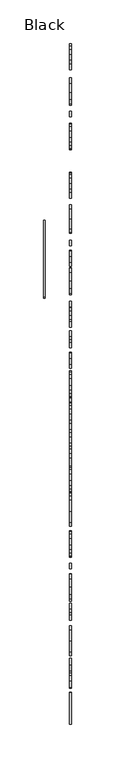
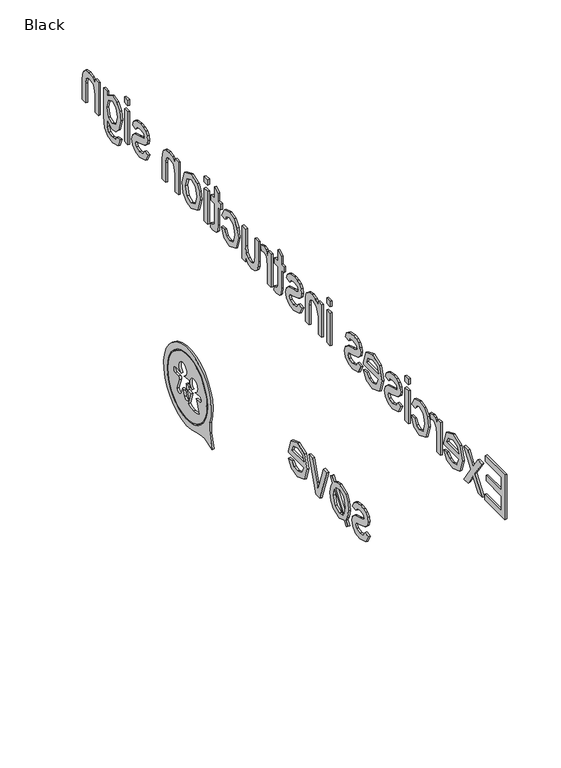
"""IFC4 building model written with IfcOpenShell, lengths in millimetres: furniture geometry, Black."""

from ifc_helpers import new_model, si_unit, point, frame, frame_2d, origin, place, context, project, spatial, polyline, circle_curve, trimmed, segment, composite_curve, outline, extrude, source, transform, mapped, element, save


def black_c9f435eb(model_context):
    return source(origin(), model_context, "Body", "SweptSolid", [
        extrude(outline(polyline([(-656.0908257, 1585.2694178), (-656.0908257, 1635.4975728), (-619.9893392, 1635.4975728), (-619.9893392, 1629.2190534), (-649.8123063, 1629.2190534), (-649.8123063, 1614.3075699), (-621.5589691, 1614.3075699), (-621.5589691, 1608.0290505), (-649.8123063, 1608.0290505), (-649.8123063, 1591.5479371), (-619.2045243, 1591.5479371), (-619.2045243, 1585.2694178), (-656.0908257, 1585.2694178)])), frame((13.999993, 0.0, 0.0), z_axis=(1.0, 0.0, 0.0), x_axis=(0.0, 1.0, 0.0)), (0.0, 0.0, 1.0), 2.0),
        extrude(outline(polyline([(-614.4956348, 1585.2694178), (-601.0802047, 1603.8106703), (-613.7108198, 1622.1557191), (-606.1569762, 1622.1557191), (-600.0623978, 1613.3265513), (-597.2174437, 1609.157222), (-594.7526344, 1612.5662618), (-587.8119274, 1622.1557191), (-580.2580838, 1622.1557191), (-593.526361, 1603.8106703), (-580.7485931, 1585.2694178), (-588.3024367, 1585.2694178), (-595.9911704, 1596.4162422), (-597.4013847, 1598.4518559), (-606.9417911, 1585.2694178), (-614.4956348, 1585.2694178)])), frame((13.999993, 0.0, 0.0), z_axis=(1.0, 0.0, 0.0), x_axis=(0.0, 1.0, 0.0)), (0.0, 0.0, 1.0), 2.0),
        extrude(outline(polyline([(-549.4295726, 1596.2568267), (-543.2736805, 1595.4720118), (-549.0310337, 1587.3663451), (-559.7547939, 1584.4846028), (-572.7900792, 1589.4571411), (-577.6093334, 1603.4060001), (-572.7410283, 1617.8147116), (-560.1104131, 1622.9405341), (-547.8415486, 1617.8269743), (-543.0774768, 1603.4427883), (-543.114265, 1601.7505311), (-571.330814, 1601.7505311), (-567.7194391, 1593.5958136), (-559.6321666, 1590.7631222), (-553.4762745, 1592.0752347), (-549.4295726, 1596.2568267)]), holes=[polyline([(-571.330814, 1608.0290505), (-549.3559962, 1608.0290505), (-551.8698565, 1613.7189587), (-560.1349386, 1616.6620147), (-567.8665919, 1614.3137013), (-571.330814, 1608.0290505)])]), frame((13.999993, 0.0, 0.0), z_axis=(1.0, 0.0, 0.0), x_axis=(0.0, 1.0, 0.0)), (0.0, 0.0, 1.0), 2.0),
        extrude(outline(polyline([(-536.7989574, 1585.2694178), (-536.7989574, 1622.1557191), (-531.3052529, 1622.1557191), (-531.3052529, 1616.6988029), (-527.4057038, 1621.7265235), (-523.4816292, 1622.9405341), (-517.1785843, 1621.0030222), (-519.2755117, 1615.3744277), (-523.6900956, 1616.6620147), (-527.2401569, 1615.4234786), (-529.5026311, 1611.9899133), (-530.520438, 1604.6567989), (-530.520438, 1585.2694178), (-536.7989574, 1585.2694178)])), frame((13.999993, 0.0, 0.0), z_axis=(1.0, 0.0, 0.0), x_axis=(0.0, 1.0, 0.0)), (0.0, 0.0, 1.0), 2.0),
        extrude(outline(polyline([(-489.710062, 1598.6112715), (-483.4315426, 1597.8264565), (-488.471526, 1588.0224014), (-498.4288653, 1584.4846028), (-510.3298478, 1589.4203529), (-514.8241395, 1603.5776784), (-512.9050218, 1614.0071329), (-507.0556981, 1620.7087166), (-498.5147044, 1622.9405341), (-488.9681666, 1619.8748508), (-484.2163575, 1611.1683102), (-490.4948769, 1610.3834953), (-493.4072761, 1615.0862535), (-498.4656535, 1616.6620147), (-505.7435856, 1613.5595432), (-508.5456202, 1603.7493567), (-505.8048993, 1593.8471996), (-498.6373318, 1590.7631222), (-492.720563, 1592.6883713), (-489.710062, 1598.6112715)])), frame((13.999993, 0.0, 0.0), z_axis=(1.0, 0.0, 0.0), x_axis=(0.0, 1.0, 0.0)), (0.0, 0.0, 1.0), 2.0),
        extrude(outline(polyline([(15.999993, -471.6593188), (15.999993, -477.9378382), (13.999993, -477.9378382), (13.999993, -471.6593188), (15.999993, -471.6593188)])), frame((0.0, 0.0, 1629.2190534), z_axis=(0.0, 0.0, 1.0), x_axis=(1.0, 0.0, 0.0)), (0.0, 0.0, 1.0), 6.2785194),
        extrude(outline(polyline([(15.999993, -471.6593188), (15.999993, -477.9378382), (13.999993, -477.9378382), (13.999993, -471.6593188), (15.999993, -471.6593188)])), frame((0.0, 0.0, 1585.2694178), z_axis=(0.0, 0.0, 1.0), x_axis=(1.0, 0.0, 0.0)), (0.0, 0.0, 1.0), 36.8863014),
        extrude(outline(polyline([(-464.5959845, 1596.2568267), (-458.3174651, 1597.0416416), (-455.4111973, 1592.381803), (-448.7525332, 1590.7631222), (-442.3513865, 1592.2469129), (-440.2667219, 1595.7295292), (-442.3636492, 1598.5499578), (-448.8261096, 1600.3403168), (-458.2806769, 1603.4121315), (-462.4070866, 1606.9989809), (-463.8111695, 1612.0634897), (-462.6829981, 1616.7417224), (-459.6050521, 1620.3163092), (-455.6135324, 1622.1741132), (-450.2117985, 1622.9405341), (-442.5721157, 1621.7081294), (-437.7160734, 1618.372666), (-435.5578323, 1612.7379401), (-441.8363517, 1611.9531251), (-444.1969278, 1615.4173473), (-449.7212891, 1616.6620147), (-455.7300284, 1615.4725296), (-457.5326502, 1612.7011519), (-456.7846234, 1610.8740046), (-454.4424414, 1609.4883158), (-449.0345761, 1608.1516779), (-439.8191321, 1605.1963592), (-435.5394382, 1601.848633), (-433.9882025, 1596.3917167), (-435.8092183, 1590.3829775), (-441.0637995, 1586.0235758), (-448.8383723, 1584.4846028), (-459.7889931, 1587.4521843), (-464.5959845, 1596.2568267)])), frame((13.999993, 0.0, 0.0), z_axis=(1.0, 0.0, 0.0), x_axis=(0.0, 1.0, 0.0)), (0.0, 0.0, 1.0), 2.0),
        extrude(outline(polyline([(-401.0995521, 1596.2568267), (-394.94366, 1595.4720118), (-400.7010133, 1587.3663451), (-411.4247734, 1584.4846028), (-424.4600588, 1589.4571411), (-429.2793129, 1603.4060001), (-424.4110079, 1617.8147116), (-411.7803927, 1622.9405341), (-399.5115282, 1617.8269743), (-394.7474563, 1603.4427883), (-394.7842445, 1601.7505311), (-423.0007935, 1601.7505311), (-419.3894186, 1593.5958136), (-411.3021461, 1590.7631222), (-405.146254, 1592.0752347), (-401.0995521, 1596.2568267)]), holes=[polyline([(-423.0007935, 1608.0290505), (-401.0259757, 1608.0290505), (-403.539836, 1613.7189587), (-411.8049182, 1616.6620147), (-419.5365714, 1614.3137013), (-423.0007935, 1608.0290505)])]), frame((13.999993, 0.0, 0.0), z_axis=(1.0, 0.0, 0.0), x_axis=(0.0, 1.0, 0.0)), (0.0, 0.0, 1.0), 2.0),
        extrude(outline(polyline([(-390.8233817, 1596.2568267), (-384.5448623, 1597.0416416), (-381.6385946, 1592.381803), (-374.9799304, 1590.7631222), (-368.5787837, 1592.2469129), (-366.4941191, 1595.7295292), (-368.5910465, 1598.5499578), (-375.0535068, 1600.3403168), (-384.5080741, 1603.4121315), (-388.6344838, 1606.9989809), (-390.0385668, 1612.0634897), (-388.9103953, 1616.7417224), (-385.8324493, 1620.3163092), (-381.8409297, 1622.1741132), (-376.4391957, 1622.9405341), (-368.7995129, 1621.7081294), (-363.9434706, 1618.372666), (-361.7852295, 1612.7379401), (-368.0637489, 1611.9531251), (-370.4243251, 1615.4173473), (-375.9486864, 1616.6620147), (-381.9574256, 1615.4725296), (-383.7600474, 1612.7011519), (-383.0120207, 1610.8740046), (-380.6698386, 1609.4883158), (-375.2619733, 1608.1516779), (-366.0465293, 1605.1963592), (-361.7668354, 1601.848633), (-360.2155997, 1596.3917167), (-362.0366156, 1590.3829775), (-367.2911967, 1586.0235758), (-375.0657696, 1584.4846028), (-386.0163903, 1587.4521843), (-390.8233817, 1596.2568267)])), frame((13.999993, 0.0, 0.0), z_axis=(1.0, 0.0, 0.0), x_axis=(0.0, 1.0, 0.0)), (0.0, 0.0, 1.0), 2.0),
        extrude(outline(polyline([(15.999993, -327.2533729), (15.999993, -333.5318923), (13.999993, -333.5318923), (13.999993, -327.2533729), (15.999993, -327.2533729)])), frame((0.0, 0.0, 1629.2190534), z_axis=(0.0, 0.0, 1.0), x_axis=(1.0, 0.0, 0.0)), (0.0, 0.0, 1.0), 6.2785194),
        extrude(outline(polyline([(15.999993, -327.2533729), (15.999993, -333.5318923), (13.999993, -333.5318923), (13.999993, -327.2533729), (15.999993, -327.2533729)])), frame((0.0, 0.0, 1585.2694178), z_axis=(0.0, 0.0, 1.0), x_axis=(1.0, 0.0, 0.0)), (0.0, 0.0, 1.0), 36.8863014),
        extrude(outline(polyline([(-317.8355939, 1585.2694178), (-317.8355939, 1622.1557191), (-311.5570745, 1622.1557191), (-311.5570745, 1617.0053712), (-306.7562144, 1621.4567434), (-300.2017836, 1622.9405341), (-294.2727521, 1621.7449176), (-290.2260501, 1618.6056579), (-288.3437206, 1613.9887388), (-288.0126268, 1607.9186859), (-288.0126268, 1585.2694178), (-294.2911462, 1585.2694178), (-294.2911462, 1607.0725573), (-295.0146474, 1612.6275755), (-297.5714273, 1615.5645001), (-301.881778, 1616.6620147), (-308.6937263, 1614.1972053), (-311.5570745, 1604.8407399), (-311.5570745, 1585.2694178), (-317.8355939, 1585.2694178)])), frame((13.999993, 0.0, 0.0), z_axis=(1.0, 0.0, 0.0), x_axis=(0.0, 1.0, 0.0)), (0.0, 0.0, 1.0), 2.0),
        extrude(outline(polyline([(-281.7341074, 1596.2568267), (-275.455588, 1597.0416416), (-272.5493203, 1592.381803), (-265.8906561, 1590.7631222), (-259.4895094, 1592.2469129), (-257.4048448, 1595.7295292), (-259.5017722, 1598.5499578), (-265.9642325, 1600.3403168), (-275.4187998, 1603.4121315), (-279.5452095, 1606.9989809), (-280.9492925, 1612.0634897), (-279.821121, 1616.7417224), (-276.743175, 1620.3163092), (-272.7516553, 1622.1741132), (-267.3499214, 1622.9405341), (-259.7102386, 1621.7081294), (-254.8541963, 1618.372666), (-252.6959552, 1612.7379401), (-258.9744746, 1611.9531251), (-261.3350508, 1615.4173473), (-266.8594121, 1616.6620147), (-272.8681513, 1615.4725296), (-274.6707731, 1612.7011519), (-273.9227464, 1610.8740046), (-271.5805643, 1609.4883158), (-266.172699, 1608.1516779), (-256.957255, 1605.1963592), (-252.6775611, 1601.848633), (-251.1263254, 1596.3917167), (-252.9473413, 1590.3829775), (-258.2019224, 1586.0235758), (-265.9764953, 1584.4846028), (-276.927116, 1587.4521843), (-281.7341074, 1596.2568267)])), frame((13.999993, 0.0, 0.0), z_axis=(1.0, 0.0, 0.0), x_axis=(0.0, 1.0, 0.0)), (0.0, 0.0, 1.0), 2.0),
        extrude(outline(polyline([(-230.7211374, 1590.5056048), (-229.9363225, 1585.0854768), (-234.6329493, 1584.4846028), (-239.8936618, 1585.5269352), (-242.5178867, 1588.2615247), (-243.2781762, 1595.3861726), (-243.2781762, 1615.8771998), (-247.9870657, 1615.8771998), (-247.9870657, 1622.1557191), (-243.2781762, 1622.1557191), (-243.2781762, 1631.1197771), (-236.9996568, 1634.8108598), (-236.9996568, 1622.1557191), (-230.7211374, 1622.1557191), (-230.7211374, 1615.8771998), (-236.9996568, 1615.8771998), (-236.9996568, 1595.5701136), (-236.668563, 1592.3327521), (-233.4557269, 1590.7631222), (-230.7211374, 1590.5056048)])), frame((13.999993, 0.0, 0.0), z_axis=(1.0, 0.0, 0.0), x_axis=(0.0, 1.0, 0.0)), (0.0, 0.0, 1.0), 2.0),
        extrude(outline(polyline([(-224.442618, 1585.2694178), (-224.442618, 1622.1557191), (-218.9489136, 1622.1557191), (-218.9489136, 1616.6988029), (-215.0493644, 1621.7265235), (-211.1252898, 1622.9405341), (-204.8222449, 1621.0030222), (-206.9191723, 1615.3744277), (-211.3337563, 1616.6620147), (-214.8838175, 1615.4234786), (-217.1462918, 1611.9899133), (-218.1640986, 1604.6567989), (-218.1640986, 1585.2694178), (-224.442618, 1585.2694178)])), frame((13.999993, 0.0, 0.0), z_axis=(1.0, 0.0, 0.0), x_axis=(0.0, 1.0, 0.0)), (0.0, 0.0, 1.0), 2.0),
        extrude(outline(polyline([(-177.3537226, 1585.2694178), (-177.3537226, 1591.6092508), (-182.2710786, 1586.2657648), (-188.6844881, 1584.4846028), (-194.5889941, 1585.7354016), (-198.6602215, 1588.8746613), (-200.5302883, 1593.4977117), (-200.8981703, 1599.3347727), (-200.8981703, 1622.1557191), (-194.6196509, 1622.1557191), (-194.6196509, 1602.2900914), (-194.2395062, 1595.8889447), (-191.7563027, 1592.130417), (-187.07807, 1590.7631222), (-181.8357516, 1592.1610738), (-178.3715295, 1595.9686525), (-177.3537226, 1602.9645417), (-177.3537226, 1622.1557191), (-171.0752032, 1622.1557191), (-171.0752032, 1585.2694178), (-177.3537226, 1585.2694178)])), frame((13.999993, 0.0, 0.0), z_axis=(1.0, 0.0, 0.0), x_axis=(0.0, 1.0, 0.0)), (0.0, 0.0, 1.0), 2.0),
        extrude(outline(polyline([(-138.8977914, 1598.6112715), (-132.619272, 1597.8264565), (-137.6592554, 1588.0224014), (-147.6165947, 1584.4846028), (-159.5175772, 1589.4203529), (-164.0118689, 1603.5776784), (-162.0927512, 1614.0071329), (-156.2434275, 1620.7087166), (-147.7024338, 1622.9405341), (-138.155896, 1619.8748508), (-133.4040869, 1611.1683102), (-139.6826063, 1610.3834953), (-142.5950055, 1615.0862535), (-147.6533829, 1616.6620147), (-154.931315, 1613.5595432), (-157.7333496, 1603.7493567), (-154.9926287, 1593.8471996), (-147.8250612, 1590.7631222), (-141.9082924, 1592.6883713), (-138.8977914, 1598.6112715)])), frame((13.999993, 0.0, 0.0), z_axis=(1.0, 0.0, 0.0), x_axis=(0.0, 1.0, 0.0)), (0.0, 0.0, 1.0), 2.0),
        extrude(outline(polyline([(-113.7837139, 1590.5056048), (-112.9988989, 1585.0854768), (-117.6955257, 1584.4846028), (-122.9562383, 1585.5269352), (-125.5804632, 1588.2615247), (-126.3407526, 1595.3861726), (-126.3407526, 1615.8771998), (-131.0496422, 1615.8771998), (-131.0496422, 1622.1557191), (-126.3407526, 1622.1557191), (-126.3407526, 1631.1197771), (-120.0622333, 1634.8108598), (-120.0622333, 1622.1557191), (-113.7837139, 1622.1557191), (-113.7837139, 1615.8771998), (-120.0622333, 1615.8771998), (-120.0622333, 1595.5701136), (-119.7311395, 1592.3327521), (-116.5183034, 1590.7631222), (-113.7837139, 1590.5056048)])), frame((13.999993, 0.0, 0.0), z_axis=(1.0, 0.0, 0.0), x_axis=(0.0, 1.0, 0.0)), (0.0, 0.0, 1.0), 2.0),
        extrude(outline(polyline([(15.999993, -101.2266751), (15.999993, -107.5051945), (13.999993, -107.5051945), (13.999993, -101.2266751), (15.999993, -101.2266751)])), frame((0.0, 0.0, 1629.2190534), z_axis=(0.0, 0.0, 1.0), x_axis=(1.0, 0.0, 0.0)), (0.0, 0.0, 1.0), 6.2785194),
        extrude(outline(polyline([(15.999993, -101.2266751), (15.999993, -107.5051945), (13.999993, -107.5051945), (13.999993, -101.2266751), (15.999993, -101.2266751)])), frame((0.0, 0.0, 1585.2694178), z_axis=(0.0, 0.0, 1.0), x_axis=(1.0, 0.0, 0.0)), (0.0, 0.0, 1.0), 36.8863014),
        extrude(outline(polyline([(-93.3785259, 1603.7125685), (-92.0204282, 1612.6061157), (-87.9461351, 1618.8570439), (-76.8851497, 1622.9405341), (-65.0209554, 1617.9679958), (-60.4162991, 1604.2276032), (-62.4519128, 1593.0562533), (-68.3809443, 1586.7348144), (-76.8851497, 1584.4846028), (-88.8229205, 1589.438747), (-93.3785259, 1603.7125685)]), holes=[polyline([(-87.1000065, 1603.7248312), (-84.1937387, 1593.9943524), (-76.8851497, 1590.7631222), (-69.6010862, 1594.0127465), (-66.6948185, 1603.9210349), (-69.6194803, 1613.4307845), (-76.8851497, 1616.6620147), (-84.1937387, 1613.4430472), (-87.1000065, 1603.7248312)])]), frame((13.999993, 0.0, 0.0), z_axis=(1.0, 0.0, 0.0), x_axis=(0.0, 1.0, 0.0)), (0.0, 0.0, 1.0), 2.0),
        extrude(outline(polyline([(-53.3529648, 1585.2694178), (-53.3529648, 1622.1557191), (-47.0744454, 1622.1557191), (-47.0744454, 1617.0053712), (-42.2735854, 1621.4567434), (-35.7191545, 1622.9405341), (-29.790123, 1621.7449176), (-25.7434211, 1618.6056579), (-23.8610915, 1613.9887388), (-23.5299977, 1607.9186859), (-23.5299977, 1585.2694178), (-29.8085171, 1585.2694178), (-29.8085171, 1607.0725573), (-30.5320184, 1612.6275755), (-33.0887982, 1615.5645001), (-37.3991489, 1616.6620147), (-44.2110972, 1614.1972053), (-47.0744454, 1604.8407399), (-47.0744454, 1585.2694178), (-53.3529648, 1585.2694178)])), frame((13.999993, 0.0, 0.0), z_axis=(1.0, 0.0, 0.0), x_axis=(0.0, 1.0, 0.0)), (0.0, 0.0, 1.0), 2.0),
        extrude(outline(polyline([(2.3688947, 1596.2568267), (8.6474141, 1597.0416416), (11.5536819, 1592.381803), (18.212346, 1590.7631222), (24.6134927, 1592.2469129), (26.6981574, 1595.7295292), (24.60123, 1598.5499578), (18.1387696, 1600.3403168), (8.6842023, 1603.4121315), (4.5577926, 1606.9989809), (3.1537097, 1612.0634897), (4.2818811, 1616.7417224), (7.3598271, 1620.3163092), (11.3513468, 1622.1741132), (16.7530808, 1622.9405341), (24.3927635, 1621.7081294), (29.2488059, 1618.372666), (31.4070469, 1612.7379401), (25.1285275, 1611.9531251), (22.7679514, 1615.4173473), (17.2435901, 1616.6620147), (11.2348508, 1615.4725296), (9.4322291, 1612.7011519), (10.1802558, 1610.8740046), (12.5224378, 1609.4883158), (17.9303031, 1608.1516779), (27.1457471, 1605.1963592), (31.425441, 1601.848633), (32.9766767, 1596.3917167), (31.1556609, 1590.3829775), (25.9010797, 1586.0235758), (18.1265069, 1584.4846028), (7.1758861, 1587.4521843), (2.3688947, 1596.2568267)])), frame((13.999993, 0.0, 0.0), z_axis=(1.0, 0.0, 0.0), x_axis=(0.0, 1.0, 0.0)), (0.0, 0.0, 1.0), 2.0),
        extrude(outline(polyline([(15.999993, 46.3185304), (15.999993, 40.0400111), (13.999993, 40.0400111), (13.999993, 46.3185304), (15.999993, 46.3185304)])), frame((0.0, 0.0, 1629.2190534), z_axis=(0.0, 0.0, 1.0), x_axis=(1.0, 0.0, 0.0)), (0.0, 0.0, 1.0), 6.2785194),
        extrude(outline(polyline([(15.999993, 46.3185304), (15.999993, 40.0400111), (13.999993, 40.0400111), (13.999993, 46.3185304), (15.999993, 46.3185304)])), frame((0.0, 0.0, 1585.2694178), z_axis=(0.0, 0.0, 1.0), x_axis=(1.0, 0.0, 0.0)), (0.0, 0.0, 1.0), 36.8863014),
        extrude(outline(polyline([(54.1666797, 1582.1301581), (60.445199, 1581.3453431), (62.4808128, 1578.0344052), (68.5753911, 1576.6364536), (75.0010633, 1578.2183462), (78.0667466, 1582.6574556), (78.4959423, 1589.9783073), (68.6857557, 1585.2694178), (62.2125655, 1586.6397782), (57.3856471, 1590.7508595), (53.3818647, 1603.8965094), (55.1783552, 1613.6269882), (60.377754, 1620.5125129), (68.3791874, 1622.9405341), (78.4959423, 1617.4468296), (78.4959423, 1622.1557191), (84.7744617, 1622.1557191), (84.7744617, 1590.3094011), (83.057679, 1578.114113), (77.6191569, 1572.4425989), (68.4527638, 1570.3579342), (58.0110465, 1573.2948588), (54.1666797, 1582.1301581)]), holes=[polyline([(59.6603841, 1604.3257051), (62.3397913, 1594.6074891), (69.0659005, 1591.5479371), (75.7797469, 1594.589095), (78.4959423, 1604.1417641), (75.7000391, 1613.5043609), (68.9677986, 1616.6620147), (62.3765795, 1613.5534118), (59.6603841, 1604.3257051)])]), frame((13.999993, 0.0, 0.0), z_axis=(1.0, 0.0, 0.0), x_axis=(0.0, 1.0, 0.0)), (0.0, 0.0, 1.0), 2.0),
        extrude(outline(polyline([(94.1922407, 1585.2694178), (94.1922407, 1622.1557191), (100.4707601, 1622.1557191), (100.4707601, 1617.0053712), (105.2716202, 1621.4567434), (111.826051, 1622.9405341), (117.7550825, 1621.7449176), (121.8017845, 1618.6056579), (123.684114, 1613.9887388), (124.0152078, 1607.9186859), (124.0152078, 1585.2694178), (117.7366884, 1585.2694178), (117.7366884, 1607.0725573), (117.0131872, 1612.6275755), (114.4564073, 1615.5645001), (110.1460566, 1616.6620147), (103.3341083, 1614.1972053), (100.4707601, 1604.8407399), (100.4707601, 1585.2694178), (94.1922407, 1585.2694178)])), frame((13.999993, 0.0, 0.0), z_axis=(1.0, 0.0, 0.0), x_axis=(0.0, 1.0, 0.0)), (0.0, 0.0, 1.0), 2.0),
        extrude(outline(polyline([(-404.1652354, 1413.2945999), (-397.886716, 1414.0794148), (-394.9804482, 1409.4195762), (-388.3217841, 1407.8008955), (-381.9206374, 1409.2846862), (-379.8359728, 1412.7673024), (-381.9329002, 1415.587731), (-388.3953605, 1417.3780901), (-397.8499278, 1420.4499047), (-401.9763375, 1424.0367542), (-403.3804205, 1429.101263), (-402.252249, 1433.7794957), (-399.174303, 1437.3540824), (-395.1827833, 1439.2118865), (-389.7810494, 1439.9783073), (-382.1413666, 1438.7459026), (-377.2853243, 1435.4104392), (-375.1270832, 1429.7757133), (-381.4056026, 1428.9908984), (-383.7661788, 1432.4551205), (-389.2905401, 1433.6997879), (-395.2992793, 1432.5103028), (-397.1019011, 1429.7389251), (-396.3538744, 1427.9117779), (-394.0116923, 1426.526089), (-388.603827, 1425.1894511), (-379.388383, 1422.2341324), (-375.1086891, 1418.8864062), (-373.5574534, 1413.42949), (-375.3784693, 1407.4207507), (-380.6330504, 1403.0613491), (-388.4076233, 1401.5223761), (-399.358244, 1404.4899575), (-404.1652354, 1413.2945999)])), frame((13.999993, 0.0, 0.0), z_axis=(1.0, 0.0, 0.0), x_axis=(0.0, 1.0, 0.0)), (0.0, 0.0, 1.0), 2.0),
        extrude(outline(polyline([(-340.6442776, 1436.3975892), (-336.8918812, 1441.3517334), (-333.8997743, 1439.070865), (-337.8361117, 1433.8837289), (-334.6723265, 1428.5249145), (-333.5318923, 1420.5296125), (-334.957435, 1411.6023427), (-339.2340632, 1405.3973998), (-350.3808877, 1401.5223761), (-359.8599804, 1404.8210513), (-363.5510631, 1399.9527462), (-366.592221, 1402.1845637), (-363.0605538, 1406.8321395), (-365.9177706, 1411.5655545), (-367.278934, 1420.1494678), (-366.040398, 1429.1733065), (-362.3247898, 1435.3000746), (-350.687456, 1439.9783073), (-345.5984218, 1439.1137846), (-340.6442776, 1436.3975892)]), holes=[polyline([(-344.0287919, 1431.9339543), (-350.4544641, 1433.6997879), (-357.9715195, 1430.3091422), (-361.0004146, 1420.2107814), (-359.2468438, 1411.8721229), (-344.0287919, 1431.9339543)]), polyline([(-341.6866099, 1428.7946946), (-356.8188226, 1408.8432278), (-350.7855579, 1407.8008955), (-342.9128832, 1411.1179648), (-339.8104117, 1421.05691), (-340.2886583, 1425.3856548), (-341.6866099, 1428.7946946)])]), frame((13.999993, 0.0, 0.0), z_axis=(1.0, 0.0, 0.0), x_axis=(0.0, 1.0, 0.0)), (0.0, 0.0, 1.0), 2.0),
        extrude(outline(polyline([(-315.0642162, 1402.307191), (-328.0381879, 1439.1934924), (-321.3917865, 1439.1934924), (-313.5313745, 1417.0960472), (-311.164667, 1409.6648309), (-308.8470104, 1416.6791143), (-300.9375475, 1439.1934924), (-294.2911462, 1439.1934924), (-307.1057023, 1402.307191), (-315.0642162, 1402.307191)])), frame((13.999993, 0.0, 0.0), z_axis=(1.0, 0.0, 0.0), x_axis=(0.0, 1.0, 0.0)), (0.0, 0.0, 1.0), 2.0),
        extrude(outline(polyline([(-262.9721256, 1413.2945999), (-256.8162336, 1412.509785), (-262.5735868, 1404.4041184), (-273.297347, 1401.5223761), (-286.3326323, 1406.4949144), (-291.1518865, 1420.4437734), (-286.2835814, 1434.8524848), (-273.6529662, 1439.9783073), (-261.3841017, 1434.8647476), (-256.6200299, 1420.4805616), (-256.6568181, 1418.7883044), (-284.8733671, 1418.7883044), (-281.2619922, 1410.6335868), (-273.1747196, 1407.8008955), (-267.0188276, 1409.1130079), (-262.9721256, 1413.2945999)]), holes=[polyline([(-284.8733671, 1425.0668238), (-262.8985492, 1425.0668238), (-265.4124095, 1430.756732), (-273.6774917, 1433.6997879), (-281.409145, 1431.3514745), (-284.8733671, 1425.0668238)])]), frame((13.999993, 0.0, 0.0), z_axis=(1.0, 0.0, 0.0), x_axis=(0.0, 1.0, 0.0)), (0.0, 0.0, 1.0), 2.0),
        extrude(outline(composite_curve([segment(trimmed(circle_curve(frame_2d((-122.0122881, 1421.0341921)), 35.7692308), [point((-86.2430573, 1421.0341921))], [point((-157.7815188, 1421.0341921))], False, "CARTESIAN"), True, "CONTINUOUS"), segment(trimmed(circle_curve(frame_2d((-122.0122881, 1421.0341921)), 35.7692308), [point((-157.7815188, 1421.0341921))], [point((-86.2430573, 1421.0341921))], False, "CARTESIAN"), True, "CONTINUOUS")], self_intersect=False), holes=[composite_curve([segment(trimmed(circle_curve(frame_2d((-113.4497003, 1436.3466147)), 6.9230769), [point((-110.6839318, 1430.0))], [point((-116.2154688, 1430.0))], True, "CARTESIAN"), True, "CONTINUOUS"), segment(polyline([(-116.2154688, 1430.0), (-125.1600325, 1430.0)]), True, "CONTINUOUS"), segment(trimmed(circle_curve(frame_2d((-130.8642774, 1428.6999734)), 5.850511), [point((-125.1600325, 1430.0))], [point((-127.3302133, 1424.0374772))], False, "CARTESIAN"), True, "CONTINUOUS"), segment(polyline([(-127.3302133, 1424.0374772), (-121.5949466, 1424.0374772)]), True, "CONTINUOUS"), segment(trimmed(circle_curve(frame_2d((-121.5949466, 1421.7297849)), 2.3076923), [point((-121.5949466, 1424.0374772))], [point((-119.4264252, 1420.9405077))], False, "CARTESIAN"), True, "CONTINUOUS"), segment(polyline([(-119.4264252, 1420.9405077), (-123.8748153, 1408.7186563)]), True, "CONTINUOUS"), segment(trimmed(circle_curve(frame_2d((-120.3788364, 1408.9994758)), 3.5072394), [point((-123.8748153, 1408.7186563))], [point((-117.0831094, 1407.7999293))], True, "CARTESIAN"), True, "CONTINUOUS"), segment(polyline([(-117.0831094, 1407.7999293), (-115.0270671, 1413.4488592)]), True, "CONTINUOUS"), segment(trimmed(circle_curve(frame_2d((-113.621571, 1412.9373004)), 1.4956977), [point((-115.0270671, 1413.4488592))], [point((-112.2160749, 1413.4488592))], False, "CARTESIAN"), True, "CONTINUOUS"), segment(polyline([(-112.2160749, 1413.4488592), (-110.1600325, 1407.7999293)]), True, "CONTINUOUS"), segment(trimmed(circle_curve(frame_2d((-106.8643056, 1408.9994758)), 3.5072394), [point((-110.1600325, 1407.7999293))], [point((-103.3683267, 1408.7186563))], True, "CARTESIAN"), True, "CONTINUOUS"), segment(polyline([(-103.3683267, 1408.7186563), (-107.8167167, 1420.9405077)]), True, "CONTINUOUS"), segment(trimmed(circle_curve(frame_2d((-105.6481953, 1421.7297849)), 2.3076923), [point((-107.8167167, 1420.9405077))], [point((-105.6481953, 1424.0374772))], False, "CARTESIAN"), True, "CONTINUOUS"), segment(polyline([(-105.6481953, 1424.0374772), (-99.9129286, 1424.0374772)]), True, "CONTINUOUS"), segment(trimmed(circle_curve(frame_2d((-99.9129286, 1427.0187386)), 2.9812614), [point((-99.9129286, 1424.0374772))], [point((-99.9129286, 1430.0))], True, "CARTESIAN"), True, "CONTINUOUS"), segment(polyline([(-99.9129286, 1430.0), (-110.6839318, 1430.0)]), True, "CONTINUOUS")], self_intersect=False), composite_curve([segment(trimmed(circle_curve(frame_2d((-133.5989152, 1429.8818389)), 6.9230769), [point((-130.6600671, 1423.6134925))], [point((-136.5377633, 1423.6134925))], True, "CARTESIAN"), True, "CONTINUOUS"), segment(polyline([(-136.5377633, 1423.6134925), (-145.226015, 1423.6134925)]), True, "CONTINUOUS"), segment(trimmed(circle_curve(frame_2d((-143.5739495, 1420.7288771)), 3.3242031), [point((-145.226015, 1423.6134925))], [point((-145.226015, 1417.8442618))], True, "CARTESIAN"), True, "CONTINUOUS"), segment(polyline([(-145.226015, 1417.8442618), (-138.3029381, 1417.8442618), (-143.4332403, 1403.7488724)]), True, "CONTINUOUS"), segment(trimmed(circle_curve(frame_2d((-135.732615, 1416.1076712)), 14.5615774), [point((-143.4332403, 1403.7488724))], [point((-133.6875535, 1401.6904156))], True, "CARTESIAN"), True, "CONTINUOUS"), segment(trimmed(circle_curve(frame_2d((-131.642492, 1416.1076712)), 14.5615774), [point((-133.6875535, 1401.6904156))], [point((-123.9418667, 1403.7488724))], True, "CARTESIAN"), True, "CONTINUOUS"), segment(polyline([(-123.9418667, 1403.7488724), (-129.0721689, 1417.8442618), (-122.149092, 1417.8442618)]), True, "CONTINUOUS"), segment(trimmed(circle_curve(frame_2d((-123.8011575, 1420.7288771)), 3.3242031), [point((-122.149092, 1417.8442618))], [point((-122.149092, 1423.6134925))], True, "CARTESIAN"), True, "CONTINUOUS"), segment(polyline([(-122.149092, 1423.6134925), (-130.6600671, 1423.6134925)]), True, "CONTINUOUS")], self_intersect=False)]), frame((-16.000007, 0.0, 0.0), z_axis=(1.0, 0.0, 0.0), x_axis=(0.0, 1.0, 0.0)), (0.0, 0.0, 1.0), 2.0),
        extrude(outline(composite_curve([segment(trimmed(circle_curve(frame_2d((-154.1219439, 1321.2071325)), 61.1206097), [point((-138.1605507, 1380.2068177))], [point((-153.2025025, 1382.3208262))], True, "CARTESIAN"), True, "CONTINUOUS"), segment(polyline([(-153.2025025, 1382.3208262), (-167.6913899, 1378.4385405), (-163.5104669, 1394.0419577)]), True, "CONTINUOUS"), segment(trimmed(circle_curve(frame_2d((-188.3643616, 1400.7015387)), 25.7306452), [point((-163.5104669, 1394.0419577))], [point((-163.109523, 1405.6269046))], True, "CARTESIAN"), True, "CONTINUOUS"), segment(trimmed(circle_curve(frame_2d((-122.0399793, 1420.9819619)), 43.8461538), [point((-163.109523, 1405.6269046))], [point((-138.1605507, 1380.2068177))], False, "CARTESIAN"), True, "CONTINUOUS")], self_intersect=False), holes=[composite_curve([segment(trimmed(circle_curve(frame_2d((-122.0399793, 1420.9819619)), 36.9230769), [point((-85.1169024, 1420.9819619))], [point((-158.9630562, 1420.9819619))], True, "CARTESIAN"), True, "CONTINUOUS"), segment(trimmed(circle_curve(frame_2d((-122.0399793, 1420.9819619)), 36.9230769), [point((-158.9630562, 1420.9819619))], [point((-85.1169024, 1420.9819619))], True, "CARTESIAN"), True, "CONTINUOUS")], self_intersect=False)]), frame((-16.000007, 0.0, 0.0), z_axis=(1.0, 0.0, 0.0), x_axis=(0.0, 1.0, 0.0)), (0.0, 0.0, 1.0), 2.0),
    ])


if __name__ == "__main__":
    model = new_model("IFC4")
    model_context = context("Model", 3, world=origin())
    ifc_project = project(units=[si_unit("LENGTHUNIT", "METRE", prefix="MILLI")], contexts=[model_context])
    site = spatial("IfcSite", under=ifc_project)
    building = spatial("IfcBuilding", under=site)
    placement = place(None, origin())
    black_shape = black_c9f435eb(model_context)
    element("IfcFurniture", 1, ObjectType="Black", at=placement, inside=building, context=model_context, shape_type="MappedRepresentation", body=[
        mapped(black_shape, transform((0.0, 0.0, 0.0), x_axis=(1.0, 0.0, 0.0), y_axis=(0.0, 1.0, 0.0), z_axis=(0.0, 0.0, 1.0))),
    ])
    save(model, "model.ifc")
